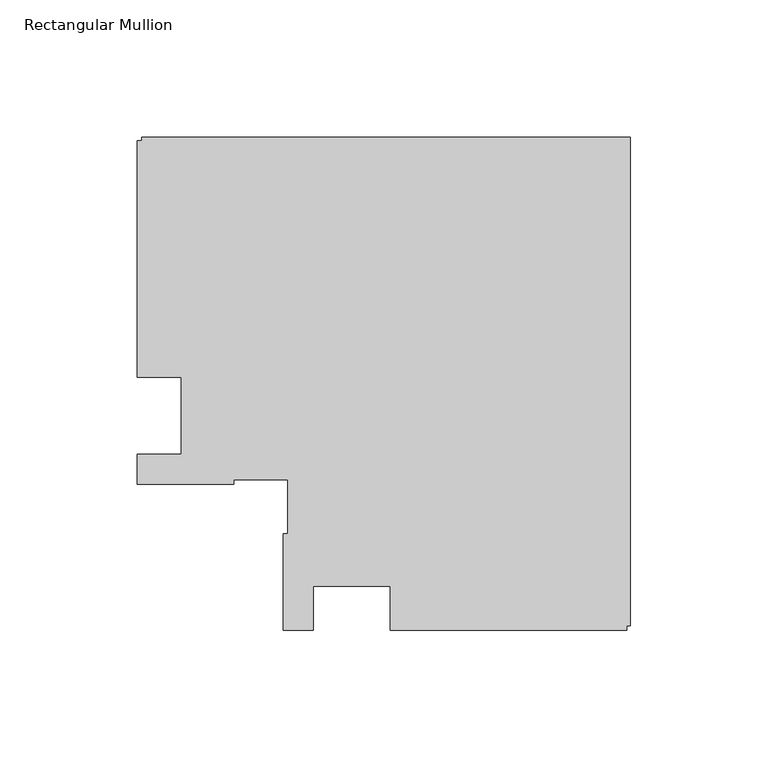
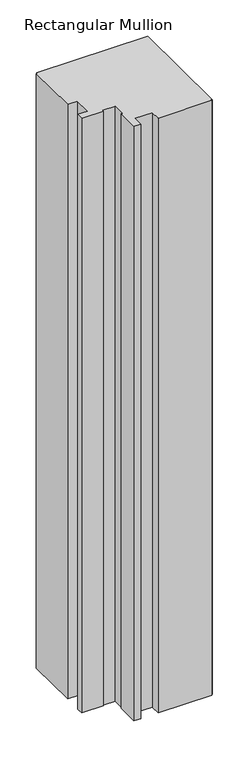
"""IFC4 building model written with IfcOpenShell, lengths in millimetres: member geometry, Rectangular Mullion."""

from ifc_helpers import new_model, si_unit, frame, origin, place, context, project, spatial, polyline, outline, extrude, source, transform, mapped, element, save


def rectangular_mullion_d8a69b6b(model_context):
    return source(origin(), model_context, "Body", "SweptSolid", [
        extrude(outline(polyline([(-179.1817613, 13.9960563), (-179.1817613, 100.0001107), (-177.7039408, 100.0001107), (-177.7039408, 101.2001107), (0.0, 101.2001107), (0.0, -76.4884533), (-1.2039451, -76.4884533), (-1.2039451, -77.9816506), (-87.2040012, -77.9816506), (-87.2040012, -61.9816243), (-115.2040012, -61.9816243), (-115.2040012, -77.9816506), (-126.2039451, -77.9816506), (-126.2039451, -42.9816243), (-124.518731, -42.9816243), (-124.518731, -23.3186203), (-144.1817351, -23.3186203), (-144.1817351, -25.0038344), (-179.1817351, -25.0038344), (-179.1817351, -14.0038344), (-163.1817351, -14.0038344), (-163.1817351, 13.9960563), (-179.1817613, 13.9960563)])), frame((0.0, 0.0, -1006.5485979), z_axis=(0.0, 0.0, 1.0), x_axis=(1.0, 0.0, 0.0)), (0.0, 0.0, 1.0), 1006.5485979),
    ])


if __name__ == "__main__":
    model = new_model("IFC4")
    model_context = context("Model", 3, world=origin())
    ifc_project = project(units=[si_unit("LENGTHUNIT", "METRE", prefix="MILLI")], contexts=[model_context])
    site = spatial("IfcSite", under=ifc_project)
    building = spatial("IfcBuilding", under=site)
    placement = place(None, origin())
    rectangular_mullion_shape = rectangular_mullion_d8a69b6b(model_context)
    element("IfcMember", 1, ObjectType="Rectangular Mullion", at=placement, inside=building, context=model_context, shape_type="MappedRepresentation", body=[
        mapped(rectangular_mullion_shape, transform((0.0, 0.0, 0.0), x_axis=(1.0, 0.0, 0.0), y_axis=(0.0, 1.0, 0.0), z_axis=(0.0, 0.0, 1.0))),
    ])
    save(model, "model.ifc")
